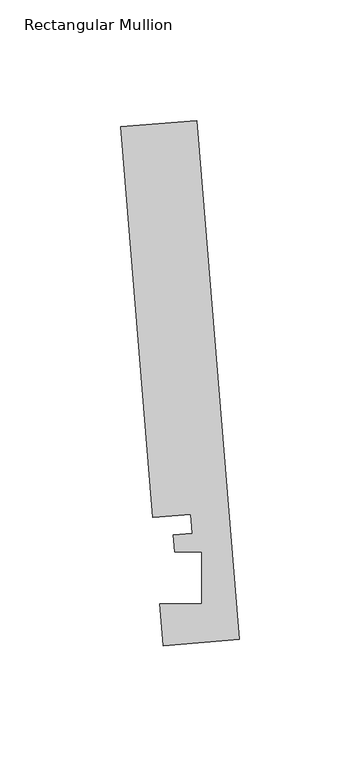
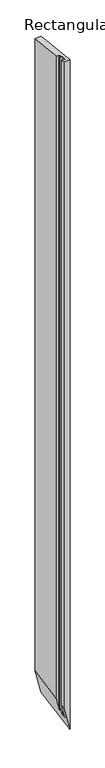
"""IFC4 building model written with IfcOpenShell, lengths in millimetres: member geometry, Rectangular Mullion."""

from ifc_helpers import new_model, si_unit, origin, place, context, project, spatial, faceted_brep, source, transform, mapped, element, save


def rectangular_mullion_8690e8de(model_context):
    return source(origin(), model_context, "Body", "Brep", [
        faceted_brep([(-17.8927766, 218.100182, 0.0), (-0.2190396, 2.6699364, 0.0), (-0.2190396, 2.6699364, -3490.3114708), (-17.8927766, 218.100182, -3420.7862817), (-49.5364672, 215.5041572, 0.0), (-49.5364672, 215.5041572, -3296.3058974), (-36.2302824, 53.3112566, 0.0), (-36.2302824, 53.3112566, -3348.6499498), (-20.4084371, 54.6092691, 0.0), (-20.4084371, 54.6092691, -3410.890142), (-19.7625461, 46.7363188, 0.0), (-19.7625461, 46.7363188, -3413.4309568), (-27.6861262, 46.0862742, 0.0), (-27.6861262, 46.0862742, -3382.2610685), (-27.100463, 38.9474576, 0.0), (-27.100463, 38.9474576, -3384.5649585), (-15.848851, 38.9474576, 0.0), (-15.848851, 38.9474576, -3428.8267043), (-15.8506254, 17.315866, 0.0), (-15.8506254, 17.315866, -3428.8197239), (-33.2772473, 17.315866, 0.0), (-33.2772473, 17.315866, -3360.2666397), (-31.8627302, 0.0739116, 0.0), (-31.8627302, 0.0739116, -3365.8310865)], [[[0, 1, 2, 3]], [[4, 0, 3, 5]], [[6, 4, 5, 7]], [[8, 6, 7, 9]], [[10, 8, 9, 11]], [[12, 10, 11, 13]], [[14, 12, 13, 15]], [[16, 14, 15, 17]], [[18, 16, 17, 19]], [[20, 18, 19, 21]], [[22, 20, 21, 23]], [[1, 22, 23, 2]], [[1, 0, 4, 6, 8, 10, 12, 14, 16, 18, 20, 22]], [[2, 23, 21, 19, 17, 15, 13, 11, 9, 7, 5, 3]]]),
    ])


if __name__ == "__main__":
    model = new_model("IFC4")
    model_context = context("Model", 3, world=origin())
    ifc_project = project(units=[si_unit("LENGTHUNIT", "METRE", prefix="MILLI")], contexts=[model_context])
    site = spatial("IfcSite", under=ifc_project)
    building = spatial("IfcBuilding", under=site)
    placement = place(None, origin())
    rectangular_mullion_shape = rectangular_mullion_8690e8de(model_context)
    element("IfcMember", 1, ObjectType="Rectangular Mullion", at=placement, inside=building, context=model_context, shape_type="MappedRepresentation", body=[
        mapped(rectangular_mullion_shape, transform((0.0, 0.0, 0.0), x_axis=(1.0, 0.0, 0.0), y_axis=(0.0, 1.0, 0.0), z_axis=(0.0, 0.0, 1.0))),
    ])
    save(model, "model.ifc")
